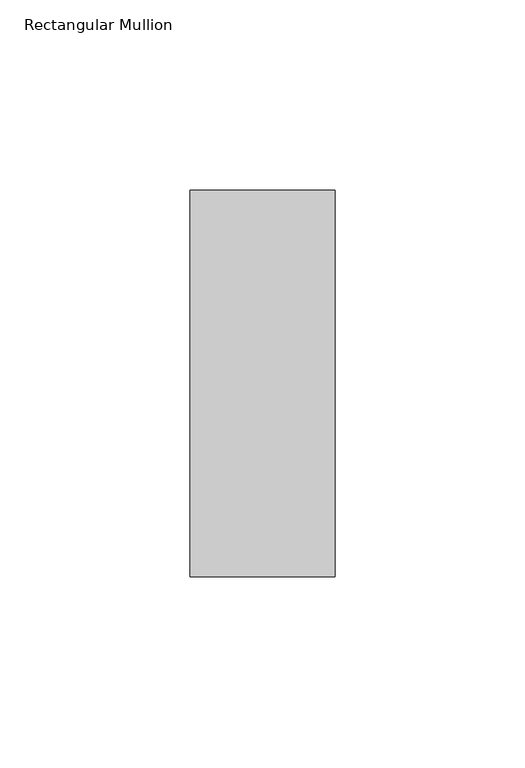
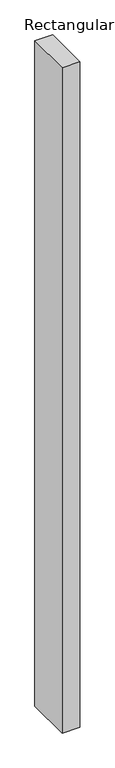
"""IFC4 building model written with IfcOpenShell, lengths in millimetres: member geometry, Rectangular Mullion."""

from ifc_helpers import new_model, si_unit, frame, origin, place, context, project, spatial, polyline, outline, extrude, source, transform, mapped, element, save


def rectangular_mullion_ab290ee4(model_context):
    return source(origin(), model_context, "Body", "SweptSolid", [
        extrude(outline(polyline([(-38.1118723, -50.8), (-38.1118723, 50.8), (0.0, 50.8), (0.0, -50.8), (-38.1118723, -50.8)])), frame((0.0, 0.0, -1518.4374), z_axis=(0.0, 0.0, 1.0), x_axis=(1.0, 0.0, 0.0)), (0.0, 0.0, 1.0), 1518.4374),
    ])


if __name__ == "__main__":
    model = new_model("IFC4")
    model_context = context("Model", 3, world=origin())
    ifc_project = project(units=[si_unit("LENGTHUNIT", "METRE", prefix="MILLI")], contexts=[model_context])
    site = spatial("IfcSite", under=ifc_project)
    building = spatial("IfcBuilding", under=site)
    placement = place(None, origin())
    rectangular_mullion_shape = rectangular_mullion_ab290ee4(model_context)
    element("IfcMember", 1, ObjectType="Rectangular Mullion", at=placement, inside=building, context=model_context, shape_type="MappedRepresentation", body=[
        mapped(rectangular_mullion_shape, transform((0.0, 0.0, 0.0), x_axis=(1.0, 0.0, 0.0), y_axis=(0.0, 1.0, 0.0), z_axis=(0.0, 0.0, 1.0))),
    ])
    save(model, "model.ifc")
